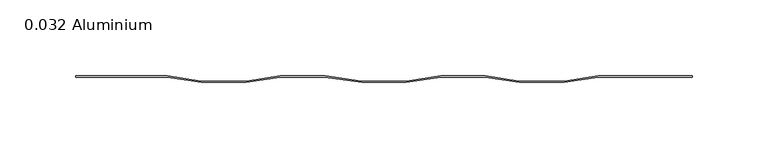
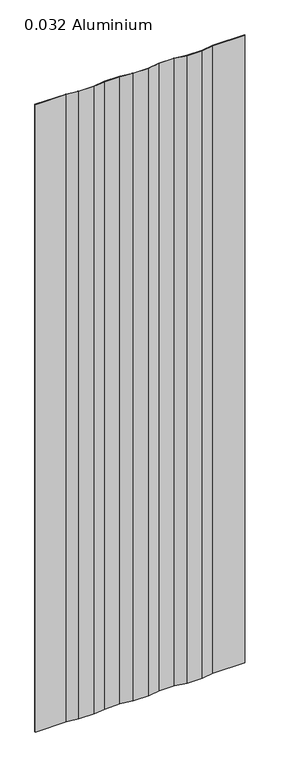
"""IFC4 building model written with IfcOpenShell, lengths in millimetres: plate geometry, 0.032 Aluminium."""

from ifc_helpers import new_model, si_unit, origin, origin_with_axes, place, context, project, spatial, polyline, outline, extrude, source, transform, mapped, element, save


def plate_0_032_aluminium_cbe3b930(model_context):
    return source(origin(), model_context, "Body", "SweptSolid", [
        extrude(outline(polyline([(-142.9284294, 0.8128), (-120.4316494, -2.73558), (-90.8914494, -2.73558), (-68.3946694, 0.8128), (-38.8544694, 0.8128), (-14.7701, -2.73558), (14.7701, -2.73558), (37.26688, 0.8128), (66.80708, 0.8128), (89.30386, -2.73558), (118.84406, -2.73558), (141.34084, 0.8128), (203.2, 0.8128), (203.2, 0.0), (141.404547, 0.0), (118.907767, -3.54838), (89.240153, -3.54838), (66.743373, 0.0), (37.330587, 0.0), (14.833807, -3.54838), (-14.833807, -3.54838), (-38.9181764, 0.0), (-68.3309624, 0.0), (-90.8277424, -3.54838), (-120.4953564, -3.54838), (-142.9921364, 0.0), (-203.2, 0.0), (-203.2, 0.8128), (-142.9284294, 0.8128)])), origin_with_axes(), (0.0, 0.0, 1.0), 1285.875),
    ])


if __name__ == "__main__":
    model = new_model("IFC4")
    model_context = context("Model", 3, world=origin())
    ifc_project = project(units=[si_unit("LENGTHUNIT", "METRE", prefix="MILLI")], contexts=[model_context])
    site = spatial("IfcSite", under=ifc_project)
    building = spatial("IfcBuilding", under=site)
    placement = place(None, origin())
    plate_0_032_aluminium_shape = plate_0_032_aluminium_cbe3b930(model_context)
    element("IfcPlate", 1, ObjectType="0.032 Aluminium", at=placement, inside=building, context=model_context, shape_type="MappedRepresentation", body=[
        mapped(plate_0_032_aluminium_shape, transform((0.0, 0.0, 0.0), x_axis=(1.0, 0.0, 0.0), y_axis=(0.0, 1.0, 0.0), z_axis=(0.0, 0.0, 1.0))),
    ])
    save(model, "model.ifc")
